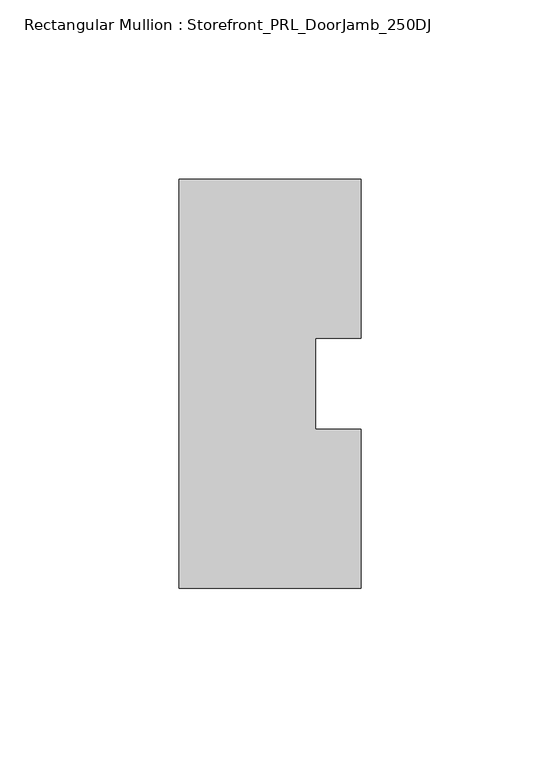
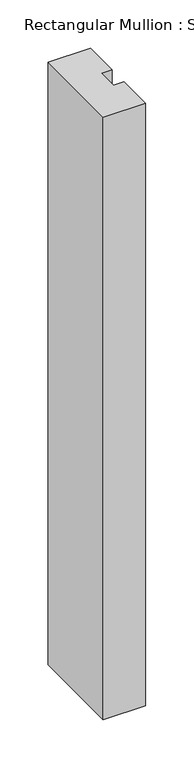
"""IFC4 building model written with IfcOpenShell, lengths in millimetres: member geometry, Rectangular Mullion : Storefront_PRL_DoorJamb_250DJ."""

import ifcopenshell
import ifcopenshell.guid

model = None  # the IFC model being written
_history = None  # IfcOwnerHistory: only IFC2X3 demands one
_inside = {}  # id of a spatial element -> (the spatial element, [elements in it])
_under = {}  # id of a project, library or spatial element -> (it, [spatial elements below it])
_declared = {}  # id of a project -> (the project, [libraries it declares])
_typed = {}  # id of a type object -> (the type object, [elements of that type])
_made_of = {}  # id of a material, layer set ... -> (it, [elements and type objects made of it])


def new_model(schema):
    """Start an empty IFC model of exactly this schema.

    Asked for "IFC4X3", IfcOpenShell would pick the latest addendum, in which some entities
    have other attributes; the version numbers below select the first issue.
    IFC2X3 requires an IfcOwnerHistory on every rooted entity: one is made here for all.
    """
    global model, _history
    if schema == "IFC4X3":
        model = ifcopenshell.file(schema_version=(4, 3, 0, 0))
    else:
        model = ifcopenshell.file(schema=schema)
    _inside.clear()
    _under.clear()
    _declared.clear()
    _typed.clear()
    _made_of.clear()
    _history = None
    if model.schema == "IFC2X3":
        org = make("IfcOrganization", Name="unknown")
        user = make(
            "IfcPersonAndOrganization",
            ThePerson=make("IfcPerson", FamilyName="unknown"),
            TheOrganization=org,
        )
        app = make(
            "IfcApplication",
            ApplicationDeveloper=org,
            Version="unknown",
            ApplicationFullName="unknown",
            ApplicationIdentifier="unknown",
        )
        _history = make(
            "IfcOwnerHistory",
            OwningUser=user,
            OwningApplication=app,
            ChangeAction="ADDED",
            CreationDate=0,
        )
    return model


def make(cls, **values):
    """One entity of the class cls with the attributes given. An attribute that is None is left unset."""
    return model.create_entity(
        cls, **{name: value for name, value in values.items() if value is not None}
    )


def rooted(cls, **values):
    """An entity with a GlobalId (a new one), such as an element, a storey or a relation."""
    return make(cls, GlobalId=ifcopenshell.guid.new(), OwnerHistory=_history, **values)


def si_unit(unit_type, name, prefix=None):
    """IfcSIUnit, for example si_unit("LENGTHUNIT", "METRE", prefix="MILLI")."""
    return make("IfcSIUnit", UnitType=unit_type, Prefix=prefix, Name=name)


def assignment(units):
    """IfcUnitAssignment: the units of a project."""
    return None if units is None else make("IfcUnitAssignment", Units=units)


def point(xyz):
    """IfcCartesianPoint."""
    return None if xyz is None else make("IfcCartesianPoint", Coordinates=xyz)


def direction(xyz):
    """IfcDirection."""
    return None if xyz is None else make("IfcDirection", DirectionRatios=xyz)


def frame(location, z_axis=None, x_axis=None):
    """IfcAxis2Placement3D, a coordinate frame: its origin and axes. An axis left out is left unset."""
    return make(
        "IfcAxis2Placement3D",
        Location=point(location),
        Axis=direction(z_axis),
        RefDirection=direction(x_axis),
    )


def origin():
    """The frame at (0, 0, 0) with its axes left unset."""
    return frame((0.0, 0.0, 0.0))


def place(relative_to, where):
    """IfcLocalPlacement: puts the frame where relative to a parent placement (None: the world)."""
    return make(
        "IfcLocalPlacement", PlacementRelTo=relative_to, RelativePlacement=where
    )


def context(
    kind, dimensions, precision=None, world=None, true_north=None, identifier=None
):
    """IfcGeometricRepresentationContext, for example the 3D "Model" context."""
    return make(
        "IfcGeometricRepresentationContext",
        ContextIdentifier=identifier,
        ContextType=kind,
        CoordinateSpaceDimension=dimensions,
        Precision=precision,
        WorldCoordinateSystem=world,
        TrueNorth=true_north,
    )


def project(units=None, contexts=None):
    """IfcProject with its units and contexts."""
    return rooted(
        "IfcProject",
        Name="project",
        RepresentationContexts=contexts,
        UnitsInContext=assignment(units),
    )


def spatial(cls, under=None, at=None, **own):
    """A site, building, storey or space (cls), placed at a placement, below another one or the project."""
    s = rooted(cls, ObjectPlacement=at, **own)
    if under is not None:
        _under.setdefault(under.id(), (under, []))[1].append(s)
    return s


def polyline(points):
    """IfcPolyline through the points."""
    return make("IfcPolyline", Points=[point(p) for p in points])


def outline(outer, holes=None, kind="AREA"):
    """IfcArbitraryClosedProfileDef: a profile drawn as a closed curve; with holes, ...WithVoids."""
    if holes is None:
        return make("IfcArbitraryClosedProfileDef", ProfileType=kind, OuterCurve=outer)
    return make(
        "IfcArbitraryProfileDefWithVoids",
        ProfileType=kind,
        OuterCurve=outer,
        InnerCurves=holes,
    )


def extrude(swept, where, along, depth):
    """IfcExtrudedAreaSolid: the profile swept, set in the frame where, extruded along a direction by depth."""
    return make(
        "IfcExtrudedAreaSolid",
        SweptArea=swept,
        Position=where,
        ExtrudedDirection=direction(along),
        Depth=depth,
    )


def shape(context_of_items, identifier, shape_type, items):
    """IfcShapeRepresentation: the items that make up one representation, for example the "Body"."""
    return make(
        "IfcShapeRepresentation",
        ContextOfItems=context_of_items,
        RepresentationIdentifier=identifier,
        RepresentationType=shape_type,
        Items=items,
    )


def source(mapping_origin, context_of_items, identifier, shape_type, items):
    """IfcRepresentationMap: a shape defined once, which mapped items show again and again."""
    return make(
        "IfcRepresentationMap",
        MappingOrigin=mapping_origin,
        MappedRepresentation=shape(context_of_items, identifier, shape_type, items),
    )


def transform(
    local_origin,
    x_axis=None,
    y_axis=None,
    z_axis=None,
    scale=None,
    scale2=None,
    scale3=None,
    uniform=True,
):
    """IfcCartesianTransformationOperator3D, or its non-uniform kind. x_axis, y_axis, z_axis: its Axis1, 2, 3."""
    if uniform:
        return make(
            "IfcCartesianTransformationOperator3D",
            Axis1=direction(x_axis),
            Axis2=direction(y_axis),
            LocalOrigin=point(local_origin),
            Scale=scale,
            Axis3=direction(z_axis),
        )
    return make(
        "IfcCartesianTransformationOperator3DnonUniform",
        Axis1=direction(x_axis),
        Axis2=direction(y_axis),
        LocalOrigin=point(local_origin),
        Scale=scale,
        Axis3=direction(z_axis),
        Scale2=scale2,
        Scale3=scale3,
    )


def mapped(mapping_source, mapping_target):
    """IfcMappedItem: shows the shape of a source again, moved by a transform."""
    return make(
        "IfcMappedItem", MappingSource=mapping_source, MappingTarget=mapping_target
    )


def made_of(thing, what):
    """Note that an element or type object is made of a material, layer set ...; save() writes the relation."""
    if what is not None:
        _made_of.setdefault(what.id(), (what, []))[1].append(thing)
    return thing


def element(
    cls,
    number,
    at=None,
    inside=None,
    cuts=None,
    type_object=None,
    material=None,
    context=None,
    identifier="Body",
    shape_type=None,
    held_by="IfcProductDefinitionShape",
    body=None,
    shapes=None,
    **own,
):
    """One element of the class cls, such as IfcWall. Its Tag is "e" and its number.

    at: its placement. inside: the storey or other place that contains it. cuts: it is an
    opening in that element (IfcRelVoidsElement). A single representation is given by context,
    identifier, shape_type and body (its items); several are given by shapes. held_by: the class
    of the entity that holds the representations. save() writes the other relations.
    """
    e = rooted(cls, Tag="e%d" % number, ObjectPlacement=at, **own)
    if body is not None:
        shapes = [shape(context, identifier, shape_type, body)]
    if shapes is not None:
        e.Representation = make(held_by, Representations=shapes)
    if inside is not None:
        _inside.setdefault(inside.id(), (inside, []))[1].append(e)
    if cuts is not None:
        rooted(
            "IfcRelVoidsElement", RelatingBuildingElement=cuts, RelatedOpeningElement=e
        )
    if type_object is not None:
        _typed.setdefault(type_object.id(), (type_object, []))[1].append(e)
    return made_of(e, material)


def aggregate(whole, parts):
    """IfcRelAggregates: a whole, such as a stair, and the parts it consists of."""
    return rooted("IfcRelAggregates", RelatingObject=whole, RelatedObjects=parts)


def save(model, path):
    """Write the relations noted so far, then the file.

    IfcRelAggregates (storeys below a building ...), IfcRelContainedInSpatialStructure (elements
    in a storey), IfcRelDefinesByType, IfcRelAssociatesMaterial and IfcRelDeclares: one each for
    every whole, place, type object, material and project.
    """
    for whole, parts in _under.values():
        aggregate(whole, parts)
    for where, things in _inside.values():
        rooted(
            "IfcRelContainedInSpatialStructure",
            RelatedElements=things,
            RelatingStructure=where,
        )
    for kind, things in _typed.values():
        rooted("IfcRelDefinesByType", RelatedObjects=things, RelatingType=kind)
    for what, things in _made_of.values():
        rooted("IfcRelAssociatesMaterial", RelatedObjects=things, RelatingMaterial=what)
    for by, libraries in _declared.values():
        rooted("IfcRelDeclares", RelatingContext=by, RelatedDefinitions=libraries)
    model.write(path)


def rectangular_mullion_storefront_prl_doorjamb_250dj_af8345c5(model_context):
    return source(origin(), model_context, "Body", "SweptSolid", [
        extrude(outline(polyline([(12.7, -12.7), (25.4, -12.7), (25.4, -57.15), (-25.4, -57.15), (-25.4, 57.15), (25.4, 57.15), (25.4, 12.7), (12.7, 12.7), (12.7, -12.7)])), frame((0.0, 0.0, -762.0), z_axis=(0.0, 0.0, 1.0), x_axis=(1.0, 0.0, 0.0)), (0.0, 0.0, 1.0), 762.0),
    ])


if __name__ == "__main__":
    model = new_model("IFC4")
    model_context = context("Model", 3, world=origin())
    ifc_project = project(units=[si_unit("LENGTHUNIT", "METRE", prefix="MILLI")], contexts=[model_context])
    site = spatial("IfcSite", under=ifc_project)
    building = spatial("IfcBuilding", under=site)
    placement = place(None, origin())
    rectangular_mullion_storefront_prl_doorjamb_250dj_shape = rectangular_mullion_storefront_prl_doorjamb_250dj_af8345c5(model_context)
    element("IfcMember", 1, ObjectType="Rectangular Mullion : Storefront_PRL_DoorJamb_250DJ", at=placement, inside=building, context=model_context, shape_type="MappedRepresentation", body=[
        mapped(rectangular_mullion_storefront_prl_doorjamb_250dj_shape, transform((0.0, 0.0, 0.0), x_axis=(1.0, 0.0, 0.0), y_axis=(0.0, 1.0, 0.0), z_axis=(0.0, 0.0, 1.0))),
    ])
    save(model, "model.ifc")
